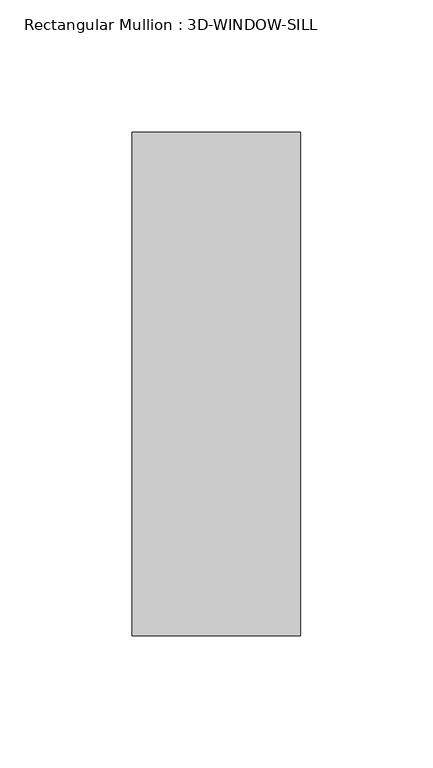
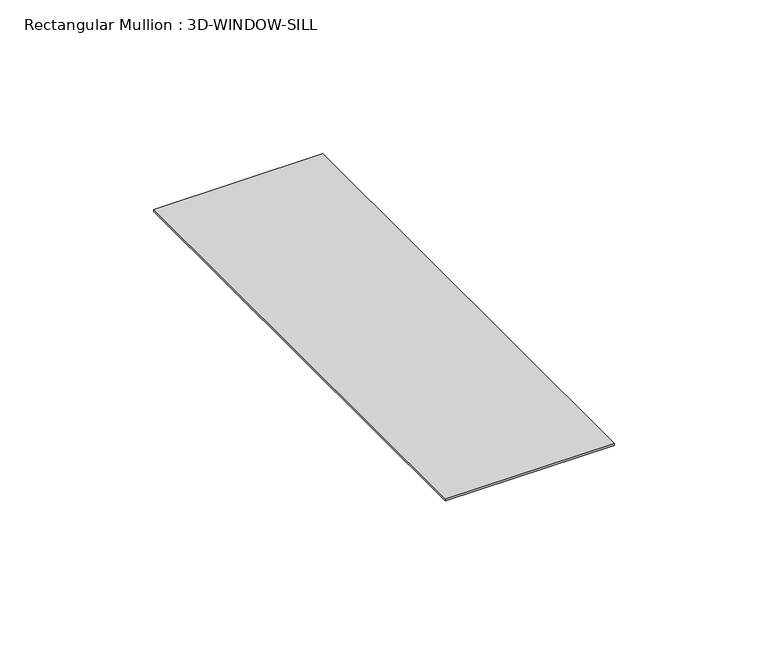
"""IFC4 building model written with IfcOpenShell, lengths in millimetres: member geometry, Rectangular Mullion : 3D-WINDOW-SILL."""

from ifc_helpers import new_model, si_unit, frame, origin, place, context, project, spatial, polyline, outline, extrude, source, transform, mapped, element, save


def rectangular_mullion_3d_window_sill_1c86f168(model_context):
    return source(origin(), model_context, "Body", "SweptSolid", [
        extrude(outline(polyline([(31.75, 96.980375), (31.75, -93.011625), (-31.75, -93.011625), (-31.75, 96.980375), (31.75, 96.980375)])), frame((0.0, 0.0, -0.79375), z_axis=(0.0, 0.0, 1.0), x_axis=(1.0, 0.0, 0.0)), (0.0, 0.0, 1.0), 0.79375),
    ])


if __name__ == "__main__":
    model = new_model("IFC4")
    model_context = context("Model", 3, world=origin())
    ifc_project = project(units=[si_unit("LENGTHUNIT", "METRE", prefix="MILLI")], contexts=[model_context])
    site = spatial("IfcSite", under=ifc_project)
    building = spatial("IfcBuilding", under=site)
    placement = place(None, origin())
    rectangular_mullion_3d_window_sill_shape = rectangular_mullion_3d_window_sill_1c86f168(model_context)
    element("IfcMember", 1, ObjectType="Rectangular Mullion : 3D-WINDOW-SILL", at=placement, inside=building, context=model_context, shape_type="MappedRepresentation", body=[
        mapped(rectangular_mullion_3d_window_sill_shape, transform((0.0, 0.0, 0.0), x_axis=(1.0, 0.0, 0.0), y_axis=(0.0, 1.0, 0.0), z_axis=(0.0, 0.0, 1.0))),
    ])
    save(model, "model.ifc")
